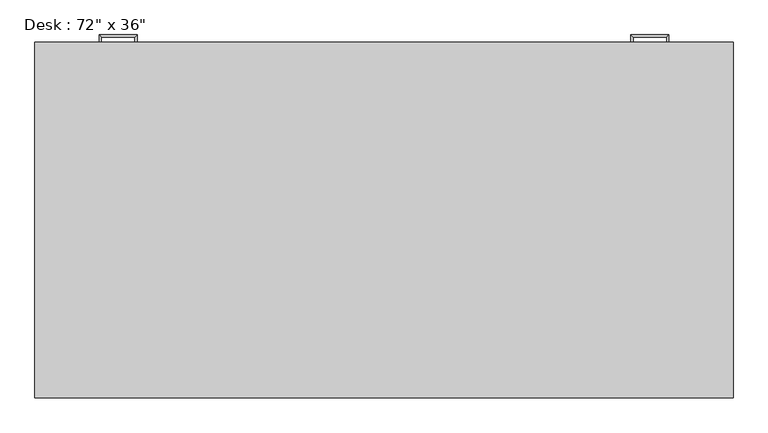
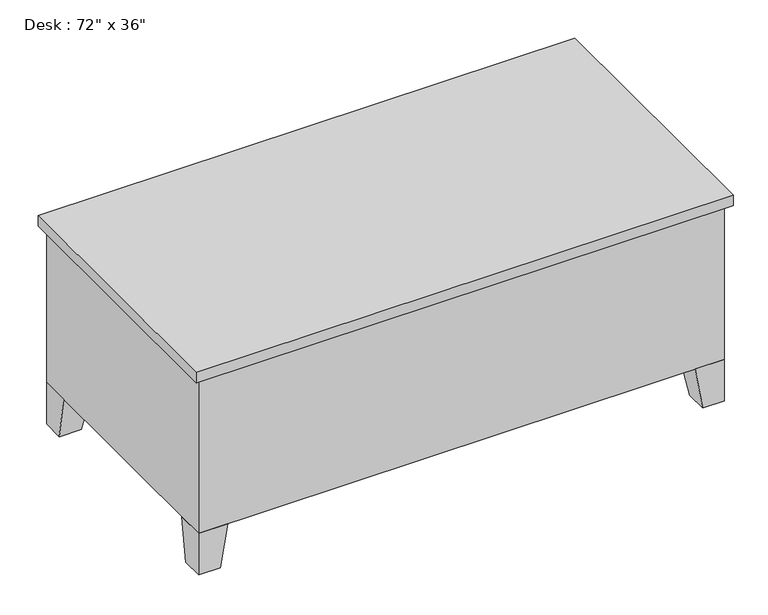
"""IFC4 building model written with IfcOpenShell, lengths in millimetres: furniture geometry."""

from ifc_helpers import new_model, si_unit, frame, origin, place, context, project, spatial, polyline, outline, extrude, faceted_brep, source, transform, mapped, element, save


def furniture_2fc54265(model_context):
    return source(origin(), model_context, "Body", "SolidModel", [
        extrude(outline(polyline([(1809.75, 914.4), (1441.45, 914.4), (1441.45, 927.1), (1809.75, 927.1), (1809.75, 914.4)])), frame((0.0, 0.0, 603.25), z_axis=(0.0, 0.0, 1.0), x_axis=(1.0, 0.0, 0.0)), (0.0, 0.0, 1.0), 101.6),
        extrude(outline(polyline([(1809.75, 914.4), (1441.45, 914.4), (1441.45, 927.1), (1809.75, 927.1), (1809.75, 914.4)])), frame((0.0, 0.0, 171.45), z_axis=(0.0, 0.0, 1.0), x_axis=(1.0, 0.0, 0.0)), (0.0, 0.0, 1.0), 412.75),
        extrude(outline(polyline([(387.35, 914.4), (19.05, 914.4), (19.05, 927.1), (387.35, 927.1), (387.35, 914.4)])), frame((0.0, 0.0, 603.25), z_axis=(0.0, 0.0, 1.0), x_axis=(1.0, 0.0, 0.0)), (0.0, 0.0, 1.0), 101.6),
        extrude(outline(polyline([(387.35, 914.4), (19.05, 914.4), (19.05, 927.1), (387.35, 927.1), (387.35, 914.4)])), frame((0.0, 0.0, 171.45), z_axis=(0.0, 0.0, 1.0), x_axis=(1.0, 0.0, 0.0)), (0.0, 0.0, 1.0), 171.45),
        extrude(outline(polyline([(387.35, 914.4), (19.05, 914.4), (19.05, 927.1), (387.35, 927.1), (387.35, 914.4)])), frame((0.0, 0.0, 482.6), z_axis=(0.0, 0.0, 1.0), x_axis=(1.0, 0.0, 0.0)), (0.0, 0.0, 1.0), 101.6),
        extrude(outline(polyline([(387.35, 914.4), (19.05, 914.4), (19.05, 927.1), (387.35, 927.1), (387.35, 914.4)])), frame((0.0, 0.0, 361.95), z_axis=(0.0, 0.0, 1.0), x_axis=(1.0, 0.0, 0.0)), (0.0, 0.0, 1.0), 101.6),
        faceted_brep([(1727.2, 914.4, 152.4), (1727.2, 812.8, 152.4), (1828.8, 812.8, 152.4), (1828.8, 914.4, 152.4), (1752.6, 914.4, 0.0), (1828.8, 914.4, 0.0), (1828.8, 838.2, 0.0), (1752.6, 838.2, 0.0)], [[[0, 1, 2, 3]], [[4, 5, 6, 7]], [[4, 7, 1, 0]], [[7, 6, 2, 1]], [[6, 5, 3, 2]], [[5, 4, 0, 3]]]),
        faceted_brep([(1727.2, 0.0, 152.4), (1828.8, 0.0, 152.4), (1828.8, 101.6, 152.4), (1727.2, 101.6, 152.4), (1752.6, 0.0, 0.0), (1752.6, 76.2, 0.0), (1828.8, 76.2, 0.0), (1828.8, 0.0, 0.0)], [[[0, 1, 2, 3]], [[4, 5, 6, 7]], [[4, 7, 1, 0]], [[7, 6, 2, 1]], [[6, 5, 3, 2]], [[5, 4, 0, 3]]]),
        faceted_brep([(101.6, 0.0, 152.4), (101.6, 101.6, 152.4), (0.0, 101.6, 152.4), (0.0, 0.0, 152.4), (76.2, 0.0, 0.0), (0.0, 0.0, 0.0), (0.0, 76.2, 0.0), (76.2, 76.2, 0.0)], [[[0, 1, 2, 3]], [[4, 5, 6, 7]], [[4, 7, 1, 0]], [[7, 6, 2, 1]], [[6, 5, 3, 2]], [[5, 4, 0, 3]]]),
        faceted_brep([(101.6, 914.4, 152.4), (0.0, 914.4, 152.4), (0.0, 812.8, 152.4), (101.6, 812.8, 152.4), (76.2, 914.4, 0.0), (76.2, 838.2, 0.0), (0.0, 838.2, 0.0), (0.0, 914.4, 0.0)], [[[0, 1, 2, 3]], [[4, 5, 6, 7]], [[4, 7, 1, 0]], [[7, 6, 2, 1]], [[6, 5, 3, 2]], [[5, 4, 0, 3]]]),
        extrude(outline(polyline([(1847.85, 933.45), (1847.85, -19.05), (-19.05, -19.05), (-19.05, 933.45), (1847.85, 933.45)])), frame((0.0, 0.0, 723.9), z_axis=(0.0, 0.0, 1.0), x_axis=(1.0, 0.0, 0.0)), (0.0, 0.0, 1.0), 38.1),
        extrude(outline(polyline([(406.4, 914.4), (406.4, 50.8), (1422.4, 50.8), (1422.4, 914.4), (1828.8, 914.4), (1828.8, 0.0), (0.0, 0.0), (0.0, 914.4), (406.4, 914.4)])), frame((0.0, 0.0, 152.4), z_axis=(0.0, 0.0, 1.0), x_axis=(1.0, 0.0, 0.0)), (0.0, 0.0, 1.0), 571.5),
        faceted_brep([(1670.05, 927.1, 546.1), (1670.05, 927.1, 533.4), (1676.4, 927.1, 533.4), (1676.4, 927.1, 546.1), (1670.05, 946.15, 546.1), (1670.05, 946.15, 533.4), (1676.4, 952.5, 533.4), (1676.4, 952.5, 546.1), (1581.15, 946.15, 546.1), (1581.15, 946.15, 533.4), (1574.8, 952.5, 533.4), (1574.8, 952.5, 546.1), (1581.15, 927.1, 546.1), (1574.8, 927.1, 546.1), (1574.8, 927.1, 533.4), (1581.15, 927.1, 533.4)], [[[0, 1, 2, 3]], [[1, 0, 4, 5]], [[2, 1, 5, 6]], [[3, 2, 6, 7]], [[0, 3, 7, 4]], [[5, 4, 8, 9]], [[6, 5, 9, 10]], [[7, 6, 10, 11]], [[4, 7, 11, 8]], [[12, 13, 14, 15]], [[9, 8, 12, 15]], [[10, 9, 15, 14]], [[11, 10, 14, 13]], [[8, 11, 13, 12]]]),
        faceted_brep([(1670.05, 927.1, 666.75), (1670.05, 927.1, 654.05), (1676.4, 927.1, 654.05), (1676.4, 927.1, 666.75), (1670.05, 946.15, 666.75), (1670.05, 946.15, 654.05), (1676.4, 952.5, 654.05), (1676.4, 952.5, 666.75), (1581.15, 946.15, 666.75), (1581.15, 946.15, 654.05), (1574.8, 952.5, 654.05), (1574.8, 952.5, 666.75), (1581.15, 927.1, 666.75), (1574.8, 927.1, 666.75), (1574.8, 927.1, 654.05), (1581.15, 927.1, 654.05)], [[[0, 1, 2, 3]], [[1, 0, 4, 5]], [[2, 1, 5, 6]], [[3, 2, 6, 7]], [[0, 3, 7, 4]], [[5, 4, 8, 9]], [[6, 5, 9, 10]], [[7, 6, 10, 11]], [[4, 7, 11, 8]], [[12, 13, 14, 15]], [[9, 8, 12, 15]], [[10, 9, 15, 14]], [[11, 10, 14, 13]], [[8, 11, 13, 12]]]),
        faceted_brep([(158.75, 927.1, 304.8), (152.4, 927.1, 304.8), (152.4, 927.1, 292.1), (158.75, 927.1, 292.1), (158.75, 946.15, 304.8), (152.4, 952.5, 304.8), (152.4, 952.5, 292.1), (158.75, 946.15, 292.1), (247.65, 946.15, 304.8), (254.0, 952.5, 304.8), (254.0, 952.5, 292.1), (247.65, 946.15, 292.1), (247.65, 927.1, 304.8), (247.65, 927.1, 292.1), (254.0, 927.1, 292.1), (254.0, 927.1, 304.8)], [[[0, 1, 2, 3]], [[1, 0, 4, 5]], [[2, 1, 5, 6]], [[3, 2, 6, 7]], [[0, 3, 7, 4]], [[5, 4, 8, 9]], [[6, 5, 9, 10]], [[7, 6, 10, 11]], [[4, 7, 11, 8]], [[12, 13, 14, 15]], [[9, 8, 12, 15]], [[10, 9, 15, 14]], [[11, 10, 14, 13]], [[8, 11, 13, 12]]]),
        faceted_brep([(158.75, 927.1, 425.45), (152.4, 927.1, 425.45), (152.4, 927.1, 412.75), (158.75, 927.1, 412.75), (158.75, 946.15, 425.45), (152.4, 952.5, 425.45), (152.4, 952.5, 412.75), (158.75, 946.15, 412.75), (247.65, 946.15, 425.45), (254.0, 952.5, 425.45), (254.0, 952.5, 412.75), (247.65, 946.15, 412.75), (247.65, 927.1, 425.45), (247.65, 927.1, 412.75), (254.0, 927.1, 412.75), (254.0, 927.1, 425.45)], [[[0, 1, 2, 3]], [[1, 0, 4, 5]], [[2, 1, 5, 6]], [[3, 2, 6, 7]], [[0, 3, 7, 4]], [[5, 4, 8, 9]], [[6, 5, 9, 10]], [[7, 6, 10, 11]], [[4, 7, 11, 8]], [[12, 13, 14, 15]], [[9, 8, 12, 15]], [[10, 9, 15, 14]], [[11, 10, 14, 13]], [[8, 11, 13, 12]]]),
        faceted_brep([(158.75, 927.1, 546.1), (152.4, 927.1, 546.1), (152.4, 927.1, 533.4), (158.75, 927.1, 533.4), (158.75, 946.15, 546.1), (152.4, 952.5, 546.1), (152.4, 952.5, 533.4), (158.75, 946.15, 533.4), (247.65, 946.15, 546.1), (254.0, 952.5, 546.1), (254.0, 952.5, 533.4), (247.65, 946.15, 533.4), (247.65, 927.1, 546.1), (247.65, 927.1, 533.4), (254.0, 927.1, 533.4), (254.0, 927.1, 546.1)], [[[0, 1, 2, 3]], [[1, 0, 4, 5]], [[2, 1, 5, 6]], [[3, 2, 6, 7]], [[0, 3, 7, 4]], [[5, 4, 8, 9]], [[6, 5, 9, 10]], [[7, 6, 10, 11]], [[4, 7, 11, 8]], [[12, 13, 14, 15]], [[9, 8, 12, 15]], [[10, 9, 15, 14]], [[11, 10, 14, 13]], [[8, 11, 13, 12]]]),
        faceted_brep([(158.75, 927.1, 666.75), (152.4, 927.1, 666.75), (152.4, 927.1, 654.05), (158.75, 927.1, 654.05), (158.75, 946.15, 666.75), (152.4, 952.5, 666.75), (152.4, 952.5, 654.05), (158.75, 946.15, 654.05), (247.65, 946.15, 666.75), (254.0, 952.5, 666.75), (254.0, 952.5, 654.05), (247.65, 946.15, 654.05), (247.65, 927.1, 666.75), (247.65, 927.1, 654.05), (254.0, 927.1, 654.05), (254.0, 927.1, 666.75)], [[[0, 1, 2, 3]], [[1, 0, 4, 5]], [[2, 1, 5, 6]], [[3, 2, 6, 7]], [[0, 3, 7, 4]], [[5, 4, 8, 9]], [[6, 5, 9, 10]], [[7, 6, 10, 11]], [[4, 7, 11, 8]], [[12, 13, 14, 15]], [[9, 8, 12, 15]], [[10, 9, 15, 14]], [[11, 10, 14, 13]], [[8, 11, 13, 12]]]),
    ])


if __name__ == "__main__":
    model = new_model("IFC4")
    model_context = context("Model", 3, world=origin())
    ifc_project = project(units=[si_unit("LENGTHUNIT", "METRE", prefix="MILLI")], contexts=[model_context])
    site = spatial("IfcSite", under=ifc_project)
    building = spatial("IfcBuilding", under=site)
    placement = place(None, origin())
    furniture_shape = furniture_2fc54265(model_context)
    element("IfcFurniture", 1, ObjectType="Desk : 72\" x 36\"", at=placement, inside=building, context=model_context, shape_type="MappedRepresentation", body=[
        mapped(furniture_shape, transform((0.0, 0.0, 0.0), x_axis=(1.0, 0.0, 0.0), y_axis=(0.0, 1.0, 0.0), z_axis=(0.0, 0.0, 1.0))),
    ])
    save(model, "model.ifc")
